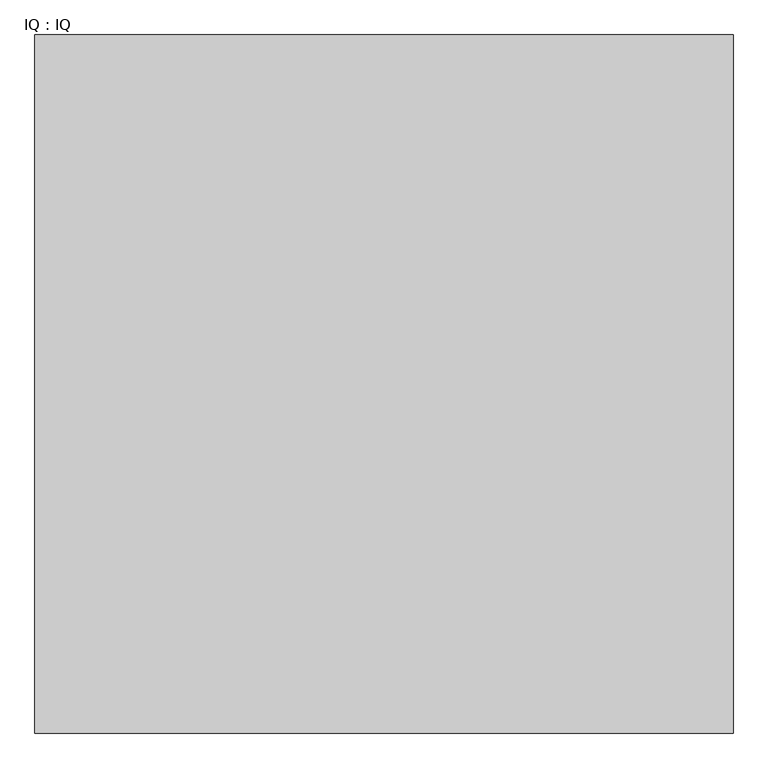
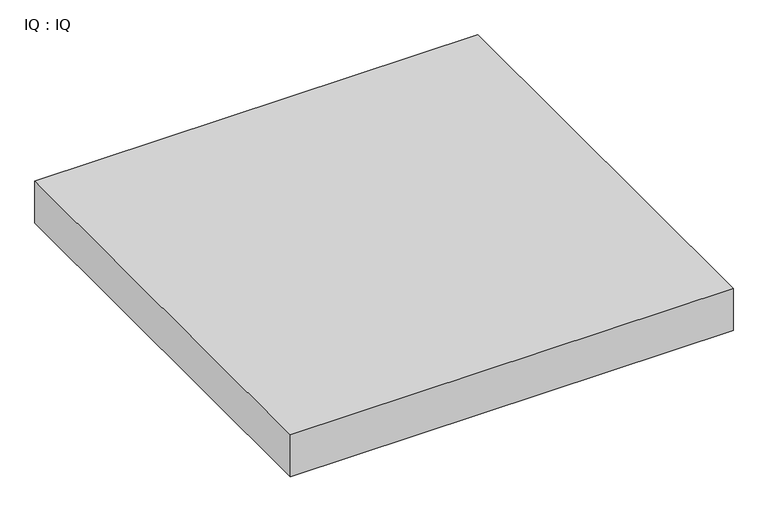
"""IFC4 building model written with IfcOpenShell, lengths in millimetres: proxy geometry, IQ : IQ."""

from ifc_helpers import new_model, si_unit, frame, origin, place, context, project, spatial, polyline, outline, extrude, source, transform, mapped, element, save


def iq_iq_3359fb4e(model_context):
    return source(origin(), model_context, "Body", "SweptSolid", [
        extrude(outline(polyline([(2000.0, 2000.0), (2000.0, 0.0), (0.0, 0.0), (0.0, 2000.0), (2000.0, 2000.0)])), frame((0.0, 0.0, 100.0), z_axis=(0.0, 0.0, 1.0), x_axis=(1.0, 0.0, 0.0)), (0.0, 0.0, 1.0), 200.0),
    ])


if __name__ == "__main__":
    model = new_model("IFC4")
    model_context = context("Model", 3, world=origin())
    ifc_project = project(units=[si_unit("LENGTHUNIT", "METRE", prefix="MILLI")], contexts=[model_context])
    site = spatial("IfcSite", under=ifc_project)
    building = spatial("IfcBuilding", under=site)
    placement = place(None, origin())
    iq_iq_shape = iq_iq_3359fb4e(model_context)
    element("IfcBuildingElementProxy", 1, Name="IQ : IQ", ObjectType="IQ : IQ", at=placement, inside=building, context=model_context, shape_type="MappedRepresentation", body=[
        mapped(iq_iq_shape, transform((0.0, 0.0, 0.0), x_axis=(1.0, 0.0, 0.0), y_axis=(0.0, 1.0, 0.0), z_axis=(0.0, 0.0, 1.0))),
    ])
    save(model, "model.ifc")
